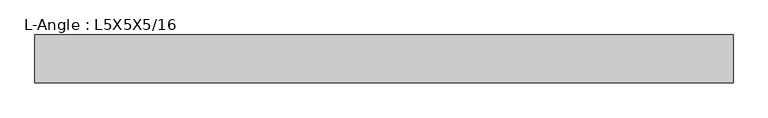
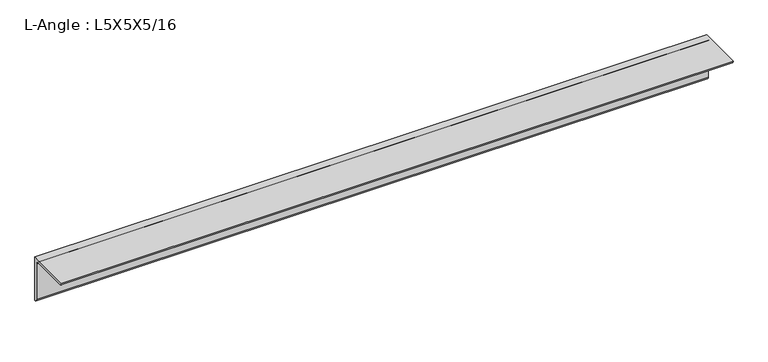
"""IFC4 building model written with IfcOpenShell, lengths in millimetres: beam geometry, L-Angle : L5X5X5/16."""

from ifc_helpers import new_model, si_unit, point, frame, frame_2d, origin, place, context, project, spatial, polyline, circle_curve, trimmed, segment, composite_curve, outline, extrude, source, transform, mapped, element, save


def l_angle_l5x5x5_16_4e1348da(model_context):
    return source(origin(), model_context, "Body", "SweptSolid", [
        extrude(outline(composite_curve([segment(polyline([(34.3296875, 34.3296875), (34.3296875, -92.6703125)]), True, "CONTINUOUS"), segment(trimmed(circle_curve(frame_2d((34.3296875, -84.7328125)), 7.9375), [point((34.3296875, -92.6703125))], [point((26.3921875, -84.7328125))], False, "CARTESIAN"), True, "CONTINUOUS"), segment(polyline([(26.3921875, -84.7328125), (26.3921875, 18.4546875)]), True, "CONTINUOUS"), segment(trimmed(circle_curve(frame_2d((18.4546875, 18.4546875)), 7.9375), [point((26.3921875, 18.4546875))], [point((18.4546875, 26.3921875))], True, "CARTESIAN"), True, "CONTINUOUS"), segment(polyline([(18.4546875, 26.3921875), (-84.7328125, 26.3921875)]), True, "CONTINUOUS"), segment(trimmed(circle_curve(frame_2d((-84.7328125, 34.3296875)), 7.9375), [point((-84.7328125, 26.3921875))], [point((-92.6703125, 34.3296875))], False, "CARTESIAN"), True, "CONTINUOUS"), segment(polyline([(-92.6703125, 34.3296875), (34.3296875, 34.3296875)]), True, "CONTINUOUS")], self_intersect=False)), frame((-940.2960937, 0.0, 0.0), z_axis=(1.0, 0.0, 0.0), x_axis=(0.0, 1.0, 0.0)), (0.0, 0.0, 1.0), 1854.4480469),
    ])


if __name__ == "__main__":
    model = new_model("IFC4")
    model_context = context("Model", 3, world=origin())
    ifc_project = project(units=[si_unit("LENGTHUNIT", "METRE", prefix="MILLI")], contexts=[model_context])
    site = spatial("IfcSite", under=ifc_project)
    building = spatial("IfcBuilding", under=site)
    placement = place(None, origin())
    l_angle_l5x5x5_16_shape = l_angle_l5x5x5_16_4e1348da(model_context)
    element("IfcBeam", 1, ObjectType="L-Angle : L5X5X5/16", at=placement, inside=building, context=model_context, shape_type="MappedRepresentation", body=[
        mapped(l_angle_l5x5x5_16_shape, transform((0.0, 0.0, 0.0), x_axis=(1.0, 0.0, 0.0), y_axis=(0.0, 1.0, 0.0), z_axis=(0.0, 0.0, 1.0))),
    ])
    save(model, "model.ifc")
